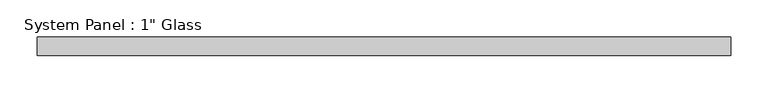
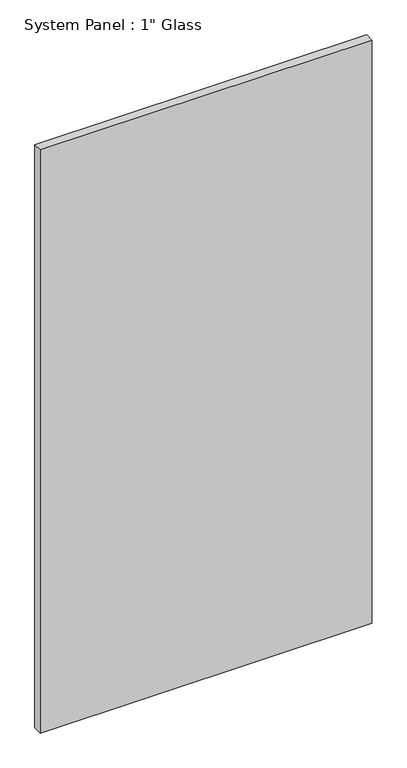
"""IFC4 building model written with IfcOpenShell, lengths in millimetres: plate geometry."""

from ifc_helpers import new_model, si_unit, origin, origin_with_axes, place, context, project, spatial, polyline, outline, extrude, source, transform, mapped, element, save


def plate_0fc48206(model_context):
    return source(origin(), model_context, "Body", "SweptSolid", [
        extrude(outline(polyline([(467.8602332, -12.7), (-467.8602332, -12.7), (-467.8602332, 12.7), (467.8602332, 12.7), (467.8602332, -12.7)])), origin_with_axes(), (0.0, 0.0, 1.0), 1739.9),
    ])


if __name__ == "__main__":
    model = new_model("IFC4")
    model_context = context("Model", 3, world=origin())
    ifc_project = project(units=[si_unit("LENGTHUNIT", "METRE", prefix="MILLI")], contexts=[model_context])
    site = spatial("IfcSite", under=ifc_project)
    building = spatial("IfcBuilding", under=site)
    placement = place(None, origin())
    plate_shape = plate_0fc48206(model_context)
    element("IfcPlate", 1, ObjectType="System Panel : 1\" Glass", at=placement, inside=building, context=model_context, shape_type="MappedRepresentation", body=[
        mapped(plate_shape, transform((0.0, 0.0, 0.0), x_axis=(1.0, 0.0, 0.0), y_axis=(0.0, 1.0, 0.0), z_axis=(0.0, 0.0, 1.0))),
    ])
    save(model, "model.ifc")
